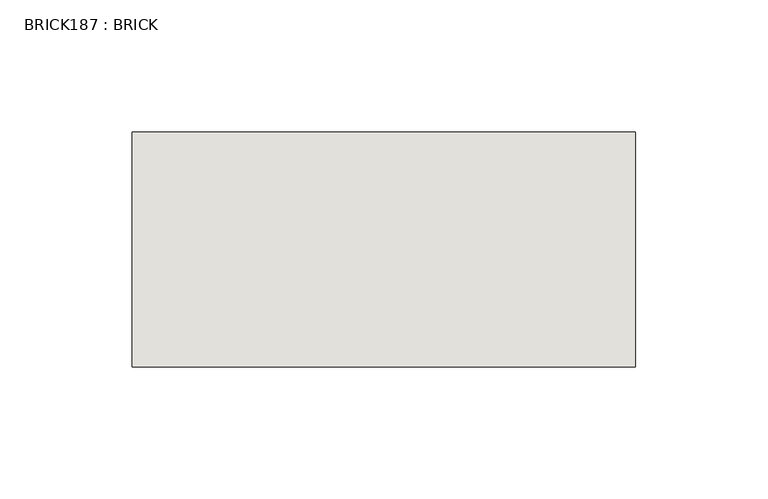
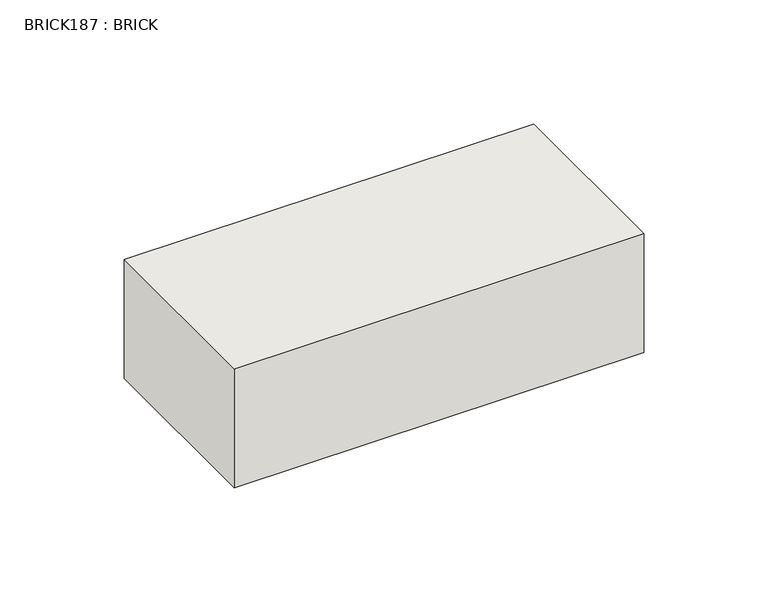
"""IFC4 building model written with IfcOpenShell, lengths in millimetres: wall geometry, BRICK187 : BRICK."""

from ifc_helpers import new_model, si_unit, frame, origin, place, context, project, spatial, polyline, outline, extrude, source, transform, mapped, element, save


def brick187_brick_ac306e5c(model_context):
    return source(origin(), model_context, "Body", "SweptSolid", [
        extrude(outline(polyline([(-465.0574357, 3062.3923312), (-274.5574357, 3062.3923312), (-274.5574357, 2973.4923312), (-465.0574357, 2973.4923312), (-465.0574357, 3062.3923312)])), frame((0.0, 0.0, 143.8671875), z_axis=(0.0, 0.0, 1.0), x_axis=(1.0, 0.0, 0.0)), (0.0, 0.0, 1.0), 58.4398437),
    ])


if __name__ == "__main__":
    model = new_model("IFC4")
    model_context = context("Model", 3, world=origin())
    ifc_project = project(units=[si_unit("LENGTHUNIT", "METRE", prefix="MILLI")], contexts=[model_context])
    site = spatial("IfcSite", under=ifc_project)
    building = spatial("IfcBuilding", under=site)
    placement = place(None, origin())
    brick187_brick_shape = brick187_brick_ac306e5c(model_context)
    element("IfcWall", 1, ObjectType="BRICK187 : BRICK", at=placement, inside=building, context=model_context, shape_type="MappedRepresentation", body=[
        mapped(brick187_brick_shape, transform((0.0, 0.0, 0.0), x_axis=(1.0, 0.0, 0.0), y_axis=(0.0, 1.0, 0.0), z_axis=(0.0, 0.0, 1.0))),
    ])
    save(model, "model.ifc")
